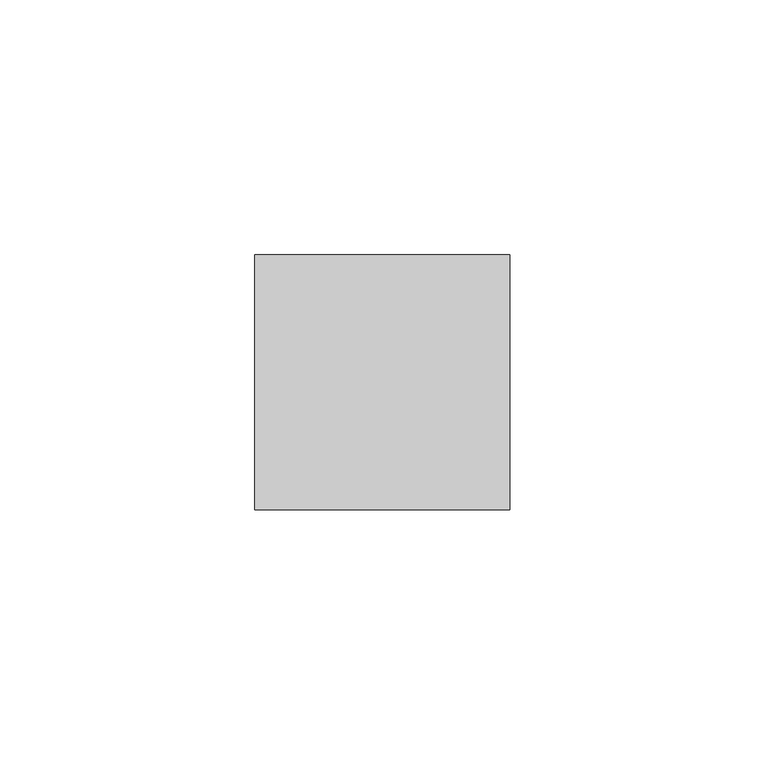
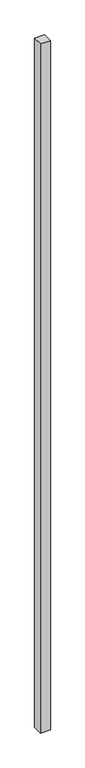
"""IFC4 building model written with IfcOpenShell, lengths in millimetres: member geometry."""

from ifc_helpers import new_model, si_unit, frame, origin, place, context, project, spatial, polyline, outline, extrude, source, transform, mapped, element, save


def member_5f87a03b(model_context):
    return source(origin(), model_context, "Body", "SweptSolid", [
        extrude(outline(polyline([(0.0, 25.0), (0.0, -25.0), (-50.0, -25.0), (-50.0, 25.0), (0.0, 25.0)])), frame((0.0, 0.0, -3675.0), z_axis=(0.0, 0.0, 1.0), x_axis=(1.0, 0.0, 0.0)), (0.0, 0.0, 1.0), 3675.0),
    ])


if __name__ == "__main__":
    model = new_model("IFC4")
    model_context = context("Model", 3, world=origin())
    ifc_project = project(units=[si_unit("LENGTHUNIT", "METRE", prefix="MILLI")], contexts=[model_context])
    site = spatial("IfcSite", under=ifc_project)
    building = spatial("IfcBuilding", under=site)
    placement = place(None, origin())
    member_shape = member_5f87a03b(model_context)
    element("IfcMember", 1, at=placement, inside=building, context=model_context, shape_type="MappedRepresentation", body=[
        mapped(member_shape, transform((0.0, 0.0, 0.0), x_axis=(1.0, 0.0, 0.0), y_axis=(0.0, 1.0, 0.0), z_axis=(0.0, 0.0, 1.0))),
    ])
    save(model, "model.ifc")
